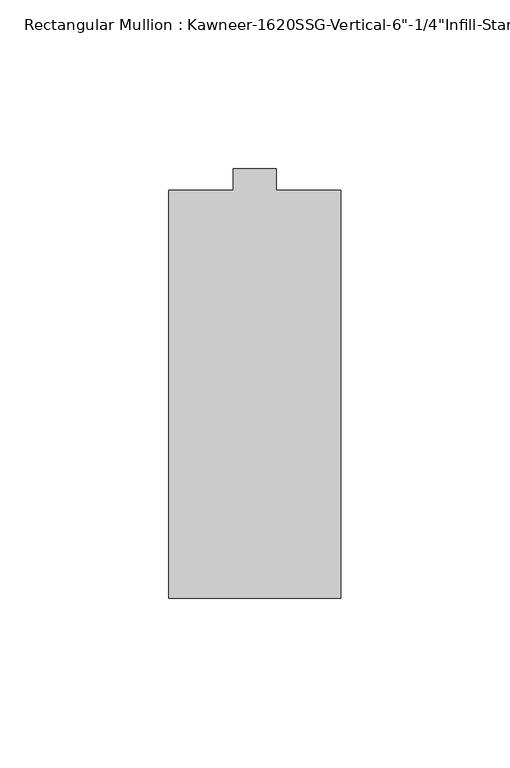
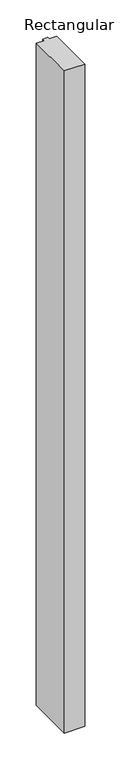
"""IFC4 building model written with IfcOpenShell, lengths in millimetres: member geometry."""

from ifc_helpers import new_model, si_unit, frame, origin, place, context, project, spatial, polyline, outline, extrude, source, transform, mapped, element, save


def member_3d526b4a(model_context):
    return source(origin(), model_context, "Body", "SweptSolid", [
        extrude(outline(polyline([(25.4, -123.825), (-25.4, -123.825), (-25.4, -3.175), (-6.35, -3.175), (-6.35, 3.175), (6.35, 3.175), (6.35, -3.175), (25.4, -3.175), (25.4, -123.825)])), frame((0.0, 0.0, -1739.9), z_axis=(0.0, 0.0, 1.0), x_axis=(1.0, 0.0, 0.0)), (0.0, 0.0, 1.0), 1739.9),
    ])


if __name__ == "__main__":
    model = new_model("IFC4")
    model_context = context("Model", 3, world=origin())
    ifc_project = project(units=[si_unit("LENGTHUNIT", "METRE", prefix="MILLI")], contexts=[model_context])
    site = spatial("IfcSite", under=ifc_project)
    building = spatial("IfcBuilding", under=site)
    placement = place(None, origin())
    member_shape = member_3d526b4a(model_context)
    element("IfcMember", 1, ObjectType="Rectangular Mullion : Kawneer-1620SSG-Vertical-6\"-1/4\"Infill-Standard", at=placement, inside=building, context=model_context, shape_type="MappedRepresentation", body=[
        mapped(member_shape, transform((0.0, 0.0, 0.0), x_axis=(1.0, 0.0, 0.0), y_axis=(0.0, 1.0, 0.0), z_axis=(0.0, 0.0, 1.0))),
    ])
    save(model, "model.ifc")
